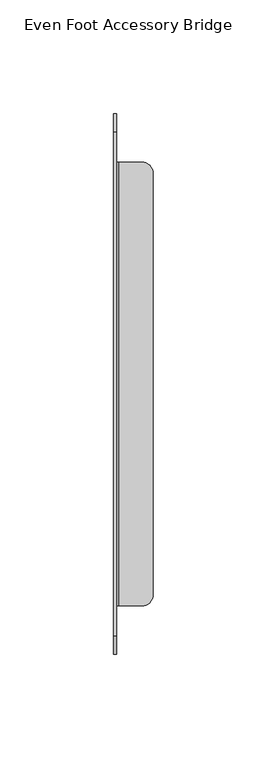
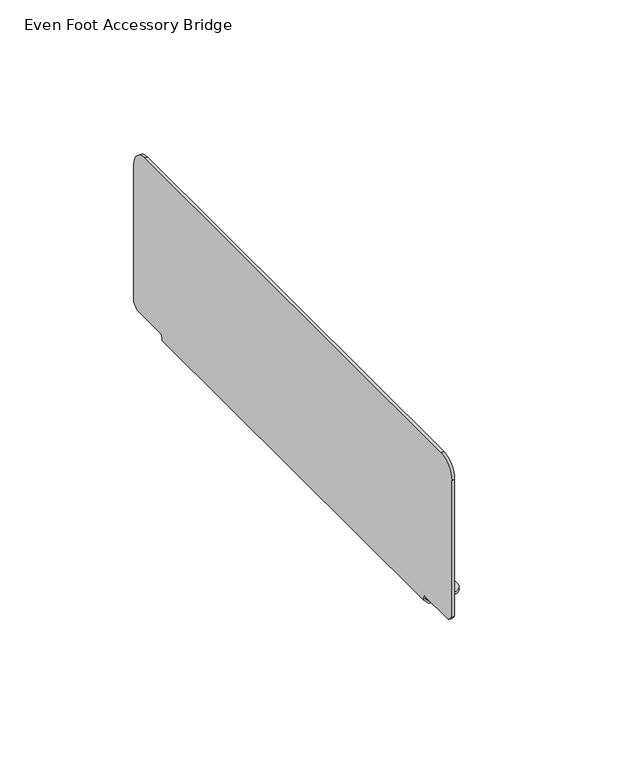
"""IFC4 building model written with IfcOpenShell, lengths in millimetres: furniture geometry, Even Foot Accessory Bridge."""

import ifcopenshell
import ifcopenshell.guid

model = None  # the IFC model being written
_history = None  # IfcOwnerHistory: only IFC2X3 demands one
_inside = {}  # id of a spatial element -> (the spatial element, [elements in it])
_under = {}  # id of a project, library or spatial element -> (it, [spatial elements below it])
_declared = {}  # id of a project -> (the project, [libraries it declares])
_typed = {}  # id of a type object -> (the type object, [elements of that type])
_made_of = {}  # id of a material, layer set ... -> (it, [elements and type objects made of it])


def new_model(schema):
    """Start an empty IFC model of exactly this schema.

    Asked for "IFC4X3", IfcOpenShell would pick the latest addendum, in which some entities
    have other attributes; the version numbers below select the first issue.
    IFC2X3 requires an IfcOwnerHistory on every rooted entity: one is made here for all.
    """
    global model, _history
    if schema == "IFC4X3":
        model = ifcopenshell.file(schema_version=(4, 3, 0, 0))
    else:
        model = ifcopenshell.file(schema=schema)
    _inside.clear()
    _under.clear()
    _declared.clear()
    _typed.clear()
    _made_of.clear()
    _history = None
    if model.schema == "IFC2X3":
        org = make("IfcOrganization", Name="unknown")
        user = make(
            "IfcPersonAndOrganization",
            ThePerson=make("IfcPerson", FamilyName="unknown"),
            TheOrganization=org,
        )
        app = make(
            "IfcApplication",
            ApplicationDeveloper=org,
            Version="unknown",
            ApplicationFullName="unknown",
            ApplicationIdentifier="unknown",
        )
        _history = make(
            "IfcOwnerHistory",
            OwningUser=user,
            OwningApplication=app,
            ChangeAction="ADDED",
            CreationDate=0,
        )
    return model


def make(cls, **values):
    """One entity of the class cls with the attributes given. An attribute that is None is left unset."""
    return model.create_entity(
        cls, **{name: value for name, value in values.items() if value is not None}
    )


def rooted(cls, **values):
    """An entity with a GlobalId (a new one), such as an element, a storey or a relation."""
    return make(cls, GlobalId=ifcopenshell.guid.new(), OwnerHistory=_history, **values)


def si_unit(unit_type, name, prefix=None):
    """IfcSIUnit, for example si_unit("LENGTHUNIT", "METRE", prefix="MILLI")."""
    return make("IfcSIUnit", UnitType=unit_type, Prefix=prefix, Name=name)


def assignment(units):
    """IfcUnitAssignment: the units of a project."""
    return None if units is None else make("IfcUnitAssignment", Units=units)


def point(xyz):
    """IfcCartesianPoint."""
    return None if xyz is None else make("IfcCartesianPoint", Coordinates=xyz)


def direction(xyz):
    """IfcDirection."""
    return None if xyz is None else make("IfcDirection", DirectionRatios=xyz)


def frame(location, z_axis=None, x_axis=None):
    """IfcAxis2Placement3D, a coordinate frame: its origin and axes. An axis left out is left unset."""
    return make(
        "IfcAxis2Placement3D",
        Location=point(location),
        Axis=direction(z_axis),
        RefDirection=direction(x_axis),
    )


def origin():
    """The frame at (0, 0, 0) with its axes left unset."""
    return frame((0.0, 0.0, 0.0))


def place(relative_to, where):
    """IfcLocalPlacement: puts the frame where relative to a parent placement (None: the world)."""
    return make(
        "IfcLocalPlacement", PlacementRelTo=relative_to, RelativePlacement=where
    )


def context(
    kind, dimensions, precision=None, world=None, true_north=None, identifier=None
):
    """IfcGeometricRepresentationContext, for example the 3D "Model" context."""
    return make(
        "IfcGeometricRepresentationContext",
        ContextIdentifier=identifier,
        ContextType=kind,
        CoordinateSpaceDimension=dimensions,
        Precision=precision,
        WorldCoordinateSystem=world,
        TrueNorth=true_north,
    )


def project(units=None, contexts=None):
    """IfcProject with its units and contexts."""
    return rooted(
        "IfcProject",
        Name="project",
        RepresentationContexts=contexts,
        UnitsInContext=assignment(units),
    )


def spatial(cls, under=None, at=None, **own):
    """A site, building, storey or space (cls), placed at a placement, below another one or the project."""
    s = rooted(cls, ObjectPlacement=at, **own)
    if under is not None:
        _under.setdefault(under.id(), (under, []))[1].append(s)
    return s


def circle_curve(where, radius):
    """IfcCircle in the frame where."""
    return make("IfcCircle", Position=where, Radius=radius)


def shape(context_of_items, identifier, shape_type, items):
    """IfcShapeRepresentation: the items that make up one representation, for example the "Body"."""
    return make(
        "IfcShapeRepresentation",
        ContextOfItems=context_of_items,
        RepresentationIdentifier=identifier,
        RepresentationType=shape_type,
        Items=items,
    )


def source(mapping_origin, context_of_items, identifier, shape_type, items):
    """IfcRepresentationMap: a shape defined once, which mapped items show again and again."""
    return make(
        "IfcRepresentationMap",
        MappingOrigin=mapping_origin,
        MappedRepresentation=shape(context_of_items, identifier, shape_type, items),
    )


def transform(
    local_origin,
    x_axis=None,
    y_axis=None,
    z_axis=None,
    scale=None,
    scale2=None,
    scale3=None,
    uniform=True,
):
    """IfcCartesianTransformationOperator3D, or its non-uniform kind. x_axis, y_axis, z_axis: its Axis1, 2, 3."""
    if uniform:
        return make(
            "IfcCartesianTransformationOperator3D",
            Axis1=direction(x_axis),
            Axis2=direction(y_axis),
            LocalOrigin=point(local_origin),
            Scale=scale,
            Axis3=direction(z_axis),
        )
    return make(
        "IfcCartesianTransformationOperator3DnonUniform",
        Axis1=direction(x_axis),
        Axis2=direction(y_axis),
        LocalOrigin=point(local_origin),
        Scale=scale,
        Axis3=direction(z_axis),
        Scale2=scale2,
        Scale3=scale3,
    )


def mapped(mapping_source, mapping_target):
    """IfcMappedItem: shows the shape of a source again, moved by a transform."""
    return make(
        "IfcMappedItem", MappingSource=mapping_source, MappingTarget=mapping_target
    )


def made_of(thing, what):
    """Note that an element or type object is made of a material, layer set ...; save() writes the relation."""
    if what is not None:
        _made_of.setdefault(what.id(), (what, []))[1].append(thing)
    return thing


def element(
    cls,
    number,
    at=None,
    inside=None,
    cuts=None,
    type_object=None,
    material=None,
    context=None,
    identifier="Body",
    shape_type=None,
    held_by="IfcProductDefinitionShape",
    body=None,
    shapes=None,
    **own,
):
    """One element of the class cls, such as IfcWall. Its Tag is "e" and its number.

    at: its placement. inside: the storey or other place that contains it. cuts: it is an
    opening in that element (IfcRelVoidsElement). A single representation is given by context,
    identifier, shape_type and body (its items); several are given by shapes. held_by: the class
    of the entity that holds the representations. save() writes the other relations.
    """
    e = rooted(cls, Tag="e%d" % number, ObjectPlacement=at, **own)
    if body is not None:
        shapes = [shape(context, identifier, shape_type, body)]
    if shapes is not None:
        e.Representation = make(held_by, Representations=shapes)
    if inside is not None:
        _inside.setdefault(inside.id(), (inside, []))[1].append(e)
    if cuts is not None:
        rooted(
            "IfcRelVoidsElement", RelatingBuildingElement=cuts, RelatedOpeningElement=e
        )
    if type_object is not None:
        _typed.setdefault(type_object.id(), (type_object, []))[1].append(e)
    return made_of(e, material)


def aggregate(whole, parts):
    """IfcRelAggregates: a whole, such as a stair, and the parts it consists of."""
    return rooted("IfcRelAggregates", RelatingObject=whole, RelatedObjects=parts)


def save(model, path):
    """Write the relations noted so far, then the file.

    IfcRelAggregates (storeys below a building ...), IfcRelContainedInSpatialStructure (elements
    in a storey), IfcRelDefinesByType, IfcRelAssociatesMaterial and IfcRelDeclares: one each for
    every whole, place, type object, material and project.
    """
    for whole, parts in _under.values():
        aggregate(whole, parts)
    for where, things in _inside.values():
        rooted(
            "IfcRelContainedInSpatialStructure",
            RelatedElements=things,
            RelatingStructure=where,
        )
    for kind, things in _typed.values():
        rooted("IfcRelDefinesByType", RelatedObjects=things, RelatingType=kind)
    for what, things in _made_of.values():
        rooted("IfcRelAssociatesMaterial", RelatedObjects=things, RelatingMaterial=what)
    for by, libraries in _declared.values():
        rooted("IfcRelDeclares", RelatingContext=by, RelatedDefinitions=libraries)
    model.write(path)


def plane_surface(at):
    """IfcPlane: the flat surface through the origin of the frame at, square to its z axis."""
    return make("IfcPlane", Position=at)


def cylinder_surface(at, radius):
    """IfcCylindricalSurface: all points at the distance radius from the z axis of the frame at."""
    return make("IfcCylindricalSurface", Position=at, Radius=radius)


def advanced_brep(points, edges, surfaces, faces):
    """IfcAdvancedBrep: a solid bounded by faces that lie on surfaces and meet in shared edges.

    An edge is (start, end): straight between two places in points (the first is 0);
    or (start, end, curve); or (start, end, curve, False) where it runs against its curve.
    A face is (place in surfaces, loops), or (place, loops, False) where it looks against
    its surface's normal. A loop lists edges by number (the first is 1), with a minus sign
    where the edge is run from its end to its start. The first loop is the outer one.
    """
    corners = [point(p) for p in points]
    vertices = [make("IfcVertexPoint", VertexGeometry=c) for c in corners]
    made = []
    for start, end, *more in edges:
        made.append(
            make(
                "IfcEdgeCurve",
                EdgeStart=vertices[start],
                EdgeEnd=vertices[end],
                EdgeGeometry=more[0] if more else make("IfcPolyline", Points=[corners[start], corners[end]]),
                SameSense=more[1] if len(more) > 1 else True,
            )
        )
    hull = []
    for where, loops, *sense in faces:
        bounds = []
        for j, loop in enumerate(loops):
            ring = [make("IfcOrientedEdge", EdgeElement=made[abs(k) - 1], Orientation=k > 0) for k in loop]
            bounds.append(
                make(
                    "IfcFaceOuterBound" if j == 0 else "IfcFaceBound",
                    Bound=make("IfcEdgeLoop", EdgeList=ring),
                    Orientation=True,
                )
            )
        hull.append(make("IfcAdvancedFace", Bounds=bounds, FaceSurface=surfaces[where], SameSense=sense[0] if sense else True))
    return make("IfcAdvancedBrep", Outer=make("IfcClosedShell", CfsFaces=hull))


def even_foot_accessory_bridge_c9955760(model_context):
    return source(origin(), model_context, "Body", "AdvancedBrep", [
        advanced_brep(
        [(73.406, -83.788999, 559.9294853), (73.406, -83.788999, 622.3195225), (72.1868, -83.788999, 622.3195225), (72.1868, -83.788999, 559.9294853), (72.1868, 153.639005, 559.9294853), (72.1868, 153.639005, 622.3194998), (73.406, 153.639005, 622.3194998), (73.406, 153.639005, 559.9294853), (73.406, -75.7890013, 630.3195202), (73.406, 145.6389846, 630.3195202), (72.1868, 145.6389846, 630.3195202), (72.1868, -75.7890013, 630.3195202), (72.1868, 151.1890002, 557.4794895), (72.1868, 133.4290014, 557.4794895), (72.1868, 132.4289988, 556.4795142), (72.1868, 132.4289988, 554.9974826), (72.1868, -62.5790018, 554.9974826), (72.1868, -62.5790018, 556.4795142), (72.1868, -63.5789998, 557.4794895), (72.1868, -81.3390032, 557.4794895), (74.6147995, 132.4289988, 552.5695058), (74.6147995, -62.5790018, 552.5695058), (84.5867971, 132.4289988, 552.5695058), (89.5868008, 127.4289951, 552.5695058), (89.5868008, -57.5789982, 552.5695058), (84.5867971, -62.5790018, 552.5695058), (89.5868008, 127.4289951, 553.7887058), (89.5868008, -57.5789982, 553.7887058), (84.5867971, 132.4289988, 553.7887058), (74.6095878, 132.4289988, 553.7887058), (74.6095878, -62.5790018, 553.7887058), (84.5867971, -62.5790018, 553.7887058), (73.406, 132.4289988, 554.9922801), (73.406, -62.5790018, 554.9922801), (73.406, 132.4289988, 556.4795142), (73.406, 133.4290014, 557.4794895), (73.406, 151.1890002, 557.4794895), (73.406, -81.3390032, 557.4794895), (73.406, -63.5789998, 557.4794895), (73.406, -62.5790018, 556.4795142)],
        [
            (0, 1),
            (1, 2),
            (2, 3),
            (3, 0),
            (4, 5),
            (5, 6),
            (6, 7),
            (7, 4),
            (8, 9),
            (9, 10),
            (10, 11),
            (11, 8),
            (2, 11, circle_curve(frame((72.1868, -75.7890013, 622.3195225), z_axis=(-1.0, 0.0, 0.0), x_axis=(0.0, -1.0, 0.0)), 7.9999977)),
            (10, 5, circle_curve(frame((72.1868, 145.6389846, 622.3194998), z_axis=(-1.0, 0.0, 0.0), x_axis=(0.0, -1.0, 0.0)), 8.0000204)),
            (4, 12),
            (12, 13),
            (13, 14),
            (14, 15),
            (15, 16),
            (16, 17),
            (17, 18),
            (18, 19),
            (19, 3),
            (15, 20),
            (20, 21),
            (21, 16),
            (20, 22),
            (22, 23, circle_curve(frame((84.5867971, 127.4289951, 552.5695058), z_axis=(0.0, 0.0, -1.0), x_axis=(1.0, 0.0, 0.0)), 5.0000037)),
            (23, 24),
            (24, 25, circle_curve(frame((84.5867971, -57.5789982, 552.5695058), z_axis=(0.0, 0.0, -1.0), x_axis=(1.0, 0.0, 0.0)), 5.0000037)),
            (25, 21),
            (23, 26),
            (26, 27),
            (27, 24),
            (26, 28, circle_curve(frame((84.5867971, 127.4289951, 553.7887058), z_axis=(0.0, 0.0, 1.0), x_axis=(1.0, 0.0, 0.0)), 5.0000037)),
            (28, 29),
            (29, 30),
            (30, 31),
            (31, 27, circle_curve(frame((84.5867971, -57.5789982, 553.7887058), z_axis=(0.0, 0.0, 1.0), x_axis=(1.0, 0.0, 0.0)), 5.0000037)),
            (29, 32),
            (32, 33),
            (33, 30),
            (32, 34),
            (34, 35),
            (35, 36),
            (36, 7),
            (6, 9, circle_curve(frame((73.406, 145.6389846, 622.3194998), z_axis=(1.0, 0.0, 0.0), x_axis=(0.0, -1.0, 0.0)), 8.0000204)),
            (8, 1, circle_curve(frame((73.406, -75.7890013, 622.3195225), z_axis=(1.0, 0.0, 0.0), x_axis=(0.0, -1.0, 0.0)), 7.9999977)),
            (0, 37),
            (37, 38),
            (38, 39),
            (39, 33),
            (28, 22),
            (14, 34),
            (31, 25),
            (39, 17),
            (36, 12),
            (35, 13),
            (38, 18),
            (37, 19),
        ],
        [
            plane_surface(frame((72.1868, -83.788999, 630.3195202), z_axis=(0.0, -1.0, 0.0), x_axis=(-1.0, 0.0, 0.0))),
            plane_surface(frame((72.1868, 153.639005, 630.3195202), z_axis=(0.0, 1.0, 0.0), x_axis=(1.0, 0.0, 0.0))),
            plane_surface(frame((73.406, -83.788999, 630.3195202), z_axis=(0.0, 0.0, 1.0), x_axis=(0.0, 1.0, 0.0))),
            plane_surface(frame((72.1868, -83.788999, 630.3195202), z_axis=(-1.0, 0.0, 0.0), x_axis=(0.0, 1.0, 0.0))),
            plane_surface(frame((72.1868, -83.788999, 554.9974826), z_axis=(-0.7071034744031048, 0.0, -0.7071100879545261), x_axis=(0.0, 1.0, 0.0))),
            plane_surface(frame((74.6147995, -83.788999, 552.5695058), z_axis=(0.0, 0.0, -1.0), x_axis=(0.0, 1.0, 0.0))),
            plane_surface(frame((89.5868008, -83.788999, 552.5695058), z_axis=(1.0, 0.0, 0.0), x_axis=(0.0, 1.0, 0.0))),
            plane_surface(frame((89.5868008, -83.788999, 553.7887058), z_axis=(0.0, 0.0, 1.0), x_axis=(0.0, 1.0, 0.0))),
            plane_surface(frame((74.6095878, -83.788999, 553.7887058), z_axis=(0.7071028131029286, 0.0, 0.707110749247899), x_axis=(0.0, 1.0, 0.0))),
            plane_surface(frame((73.406, -83.788999, 554.9922801), z_axis=(1.0, 0.0, 0.0), x_axis=(0.0, 1.0, 0.0))),
            plane_surface(frame((73.406, 132.4289988, 559.9294853), z_axis=(0.0, 1.0, 0.0), x_axis=(0.0, 0.0, -1.0))),
            cylinder_surface(frame((84.5867971, 127.4289951, 527.7075402), z_axis=(0.0, 0.0, -1.0), x_axis=(1.0, 0.0, 0.0)), 5.0000037),
            cylinder_surface(frame((84.5867971, -57.5789982, 0.0), z_axis=(0.0, 0.0, -1.0), x_axis=(1.0, 0.0, 0.0)), 5.0000037),
            plane_surface(frame((84.5867971, -62.5790018, 559.9294853), z_axis=(0.0, -1.0, 0.0), x_axis=(0.0, 0.0, -1.0))),
            plane_surface(frame((89.5868008, 153.639005, 559.9294853), z_axis=(0.0, 0.7071054703325197, -0.7071080920381453), x_axis=(-1.0, 0.0, 0.0))),
            plane_surface(frame((89.5868008, 151.1890002, 557.4794895), z_axis=(0.0, 0.0, -1.0), x_axis=(-1.0, 0.0, 0.0))),
            plane_surface(frame((89.5868008, 133.4290014, 557.4794895), z_axis=(0.0, 0.7070971462446357, -0.7071164159971768), x_axis=(-1.0, 0.0, 0.0))),
            cylinder_surface(frame((0.0, 145.6389846, 622.3194998), z_axis=(-1.0, 0.0, 0.0), x_axis=(0.0, -1.0, 0.0)), 8.0000204),
            cylinder_surface(frame((0.0, -75.7890013, 622.3195225), z_axis=(-1.0, 0.0, 0.0), x_axis=(0.0, -1.0, 0.0)), 7.9999977),
            plane_surface(frame((89.5868008, -62.5790018, 556.4795142), z_axis=(0.0, -0.7070987520591704, -0.7071148102227559), x_axis=(-1.0, 0.0, 0.0))),
            plane_surface(frame((89.5868008, -63.5789998, 557.4794895), z_axis=(0.0, 0.0, -1.0), x_axis=(-1.0, 0.0, 0.0))),
            plane_surface(frame((89.5868008, -81.3390032, 557.4794895), z_axis=(0.0, -0.7071067811865598, -0.7071067811865354), x_axis=(-1.0, 0.0, 0.0))),
        ],
        [
            (0, [[1, 2, 3, 4]]),
            (1, [[5, 6, 7, 8]]),
            (2, [[9, 10, 11, 12]]),
            (3, [[-3, 13, -11, 14, -5, 15, 16, 17, 18, 19, 20, 21, 22, 23]]),
            (4, [[24, 25, 26, -19]]),
            (5, [[-25, 27, 28, 29, 30, 31]]),
            (6, [[-29, 32, 33, 34]]),
            (7, [[-33, 35, 36, 37, 38, 39]]),
            (8, [[-37, 40, 41, 42]]),
            (9, [[-41, 43, 44, 45, 46, -7, 47, -9, 48, -1, 49, 50, 51, 52]]),
            (10, [[53, -27, -24, -18, 54, -43, -40, -36]]),
            (11, [[-53, -35, -32, -28]]),
            (12, [[55, -30, -34, -39]]),
            (13, [[-55, -38, -42, -52, 56, -20, -26, -31]]),
            (14, [[57, -15, -8, -46]]),
            (15, [[-57, -45, 58, -16]]),
            (16, [[-58, -44, -54, -17]]),
            (17, [[-6, -14, -10, -47]]),
            (18, [[-2, -48, -12, -13]]),
            (19, [[-56, -51, 59, -21]]),
            (20, [[-59, -50, 60, -22]]),
            (21, [[-60, -49, -4, -23]]),
        ],
    ),
    ])


if __name__ == "__main__":
    model = new_model("IFC4")
    model_context = context("Model", 3, world=origin())
    ifc_project = project(units=[si_unit("LENGTHUNIT", "METRE", prefix="MILLI")], contexts=[model_context])
    site = spatial("IfcSite", under=ifc_project)
    building = spatial("IfcBuilding", under=site)
    placement = place(None, origin())
    even_foot_accessory_bridge_shape = even_foot_accessory_bridge_c9955760(model_context)
    element("IfcFurniture", 1, ObjectType="Even Foot Accessory Bridge", at=placement, inside=building, context=model_context, shape_type="MappedRepresentation", body=[
        mapped(even_foot_accessory_bridge_shape, transform((0.0, 0.0, 0.0), x_axis=(1.0, 0.0, 0.0), y_axis=(0.0, 1.0, 0.0), z_axis=(0.0, 0.0, 1.0))),
    ])
    save(model, "model.ifc")
